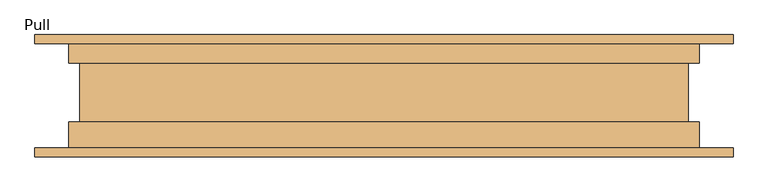
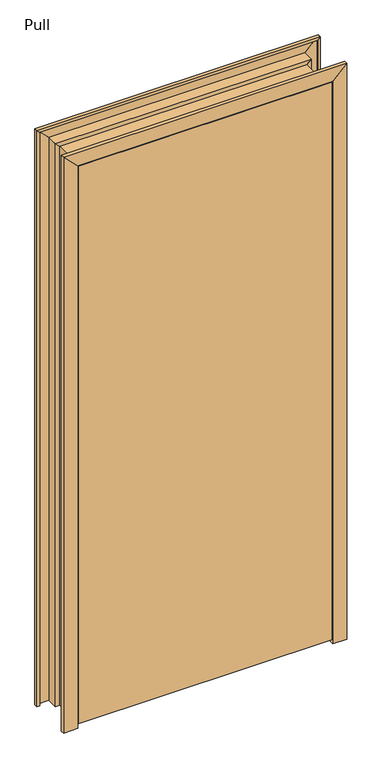
"""IFC4 building model written with IfcOpenShell, lengths in millimetres: door geometry, Pull."""

from ifc_helpers import new_model, si_unit, frame, origin, place, context, project, spatial, polyline, outline, extrude, faceted_brep, source, transform, mapped, element, save


def pull_ffc83646(model_context):
    return source(origin(), model_context, "Body", "SolidModel", [
        extrude(outline(polyline([(454.81875, -42.8625), (454.81875, -87.3125), (-454.81875, -87.3125), (-454.81875, -42.8625), (454.81875, -42.8625)])), frame((0.0, 0.0, 15.875), z_axis=(0.0, 0.0, 1.0), x_axis=(1.0, 0.0, 0.0)), (0.0, 0.0, 1.0), 2114.55),
        faceted_brep([(-506.4123984, -77.7875, 2182.8123984), (506.4125, -77.7875, 2182.8123984), (506.4125, -87.3125, 2182.8123984), (-506.4123984, -87.3125, 2182.8123984), (458.7875, -87.3125, 2135.1873984), (-458.7873984, -87.3125, 2135.1873984), (458.7875, -38.1, 2135.1873984), (-458.7873984, -38.1, 2135.1873984), (442.9125, -38.1, 2119.3123984), (-442.9123984, -38.1, 2119.3123984), (442.9125, 47.625, 2119.3123984), (-442.9123984, 47.625, 2119.3123984), (458.7875, 47.625, 2135.1873984), (-458.7873984, 47.625, 2135.1873984), (458.7875, 87.3125, 2135.1873984), (-458.7873984, 87.3125, 2135.1873984), (506.4125, 87.3125, 2182.8123984), (-506.4123984, 87.3125, 2182.8123984), (506.4125, 77.7875, 2182.8123984), (-506.4123984, 77.7875, 2182.8123984), (498.475, 77.7875, 2174.8748984), (-498.4748984, 77.7875, 2174.8748984), (498.475, 76.2, 2174.8748984), (-498.4748984, 76.2, 2174.8748984), (-507.9998984, 76.2, 2184.3998984), (508.0, 76.2, 2184.3998984), (508.0, 88.9, 2184.3998984), (-507.9998984, 88.9, 2184.3998984), (457.2, 88.9, 2133.5998984), (-457.1998984, 88.9, 2133.5998984), (457.2, 49.2125, 2133.5998984), (-457.1998984, 49.2125, 2133.5998984), (441.325, 49.2125, 2117.7248984), (-441.3248984, 49.2125, 2117.7248984), (441.325, -39.6875, 2117.7248984), (-441.3248984, -39.6875, 2117.7248984), (457.2, -39.6875, 2133.5998984), (-457.1998984, -39.6875, 2133.5998984), (457.2, -88.9, 2133.5998984), (-457.1998984, -88.9, 2133.5998984), (-507.9998984, -88.9, 2184.3998984), (508.0, -88.9, 2184.3998984), (508.0, -76.2, 2184.3998984), (-507.9998984, -76.2, 2184.3998984), (498.475, -76.2, 2174.8748984), (-498.4748984, -76.2, 2174.8748984), (498.475, -77.7875, 2174.8748984), (-498.4748984, -77.7875, 2174.8748984)], [[[0, 1, 2, 3]], [[3, 2, 4, 5]], [[5, 4, 6, 7]], [[7, 6, 8, 9]], [[9, 8, 10, 11]], [[11, 10, 12, 13]], [[13, 12, 14, 15]], [[15, 14, 16, 17]], [[17, 16, 18, 19]], [[19, 18, 20, 21]], [[21, 20, 22, 23]], [[24, 23, 22, 25]], [[25, 26, 27, 24]], [[26, 28, 29, 27]], [[29, 28, 30, 31]], [[31, 30, 32, 33]], [[33, 32, 34, 35]], [[35, 34, 36, 37]], [[37, 36, 38, 39]], [[40, 39, 38, 41]], [[41, 42, 43, 40]], [[42, 44, 45, 43]], [[45, 44, 46, 47]], [[47, 46, 1, 0]], [[3, 5, 7, 9, 11, 13, 15, 17, 19, 21, 23, 24, 27, 29, 31, 33, 35, 37, 39, 40, 43, 45, 47, 0]], [[1, 46, 44, 42, 41, 38, 36, 34, 32, 30, 28, 26, 25, 22, 20, 18, 16, 14, 12, 10, 8, 6, 4, 2]]]),
        faceted_brep([(-506.4125, -77.7875, 0.0), (-506.4125, -87.3125, 0.0), (-458.7875, -87.3125, 0.0), (-458.7875, -38.1, 0.0), (-442.9125, -38.1, 0.0), (-442.9125, 47.625, 0.0), (-458.7875, 47.625, 0.0), (-458.7875, 87.3125, 0.0), (-506.4125, 87.3125, 0.0), (-506.4125, 77.7875, 0.0), (-498.475, 77.7875, 0.0), (-498.475, 76.2, 0.0), (-508.0, 76.2, 0.0), (-508.0, 88.9, 0.0), (-457.2, 88.9, 0.0), (-457.2, 49.2125, 0.0), (-441.325, 49.2125, 0.0), (-441.325, -39.6875, 0.0), (-457.2, -39.6875, 0.0), (-457.2, -88.9, 0.0), (-508.0, -88.9, 0.0), (-508.0, -76.2, 0.0), (-498.475, -76.2, 0.0), (-498.475, -77.7875, 0.0), (-506.4125, -77.7875, 2182.8126016), (-506.4125, -87.3125, 2182.8126016), (-458.7875, -87.3125, 2135.1876016), (-458.7875, -38.1, 2135.1876016), (-442.9125, -38.1, 2119.3126016), (-442.9125, 47.625, 2119.3126016), (-458.7875, 47.625, 2135.1876016), (-458.7875, 87.3125, 2135.1876016), (-506.4125, 87.3125, 2182.8126016), (-506.4125, 77.7875, 2182.8126016), (-498.475, 77.7875, 2174.8751016), (-498.475, 76.2, 2174.8751016), (-508.0, 76.2, 2184.4001016), (-508.0, 88.9, 2184.4001016), (-457.2, 88.9, 2133.6001016), (-457.2, 49.2125, 2133.6001016), (-441.325, 49.2125, 2117.7251016), (-441.325, -39.6875, 2117.7251016), (-457.2, -39.6875, 2133.6001016), (-457.2, -88.9, 2133.6001016), (-508.0, -88.9, 2184.4001016), (-508.0, -76.2, 2184.4001016), (-498.475, -76.2, 2174.8751016), (-498.475, -77.7875, 2174.8751016)], [[[0, 1, 2, 3, 4, 5, 6, 7, 8, 9, 10, 11, 12, 13, 14, 15, 16, 17, 18, 19, 20, 21, 22, 23]], [[0, 24, 25, 1]], [[1, 25, 26, 2]], [[2, 26, 27, 3]], [[3, 27, 28, 4]], [[4, 28, 29, 5]], [[5, 29, 30, 6]], [[6, 30, 31, 7]], [[7, 31, 32, 8]], [[8, 32, 33, 9]], [[9, 33, 34, 10]], [[10, 34, 35, 11]], [[11, 35, 36, 12]], [[12, 36, 37, 13]], [[13, 37, 38, 14]], [[14, 38, 39, 15]], [[15, 39, 40, 16]], [[16, 40, 41, 17]], [[17, 41, 42, 18]], [[18, 42, 43, 19]], [[19, 43, 44, 20]], [[20, 44, 45, 21]], [[21, 45, 46, 22]], [[22, 46, 47, 23]], [[23, 47, 24, 0]], [[24, 47, 46, 45, 44, 43, 42, 41, 40, 39, 38, 37, 36, 35, 34, 33, 32, 31, 30, 29, 28, 27, 26, 25]]]),
        faceted_brep([(508.0001016, -76.2, 0.0), (508.0001016, -88.9, 0.0), (457.2001016, -88.9, 0.0), (457.2001016, -39.6875, 0.0), (441.3251016, -39.6875, 0.0), (441.3251016, 49.2125, 0.0), (457.2001016, 49.2125, 0.0), (457.2001016, 88.9, 0.0), (508.0001016, 88.9, 0.0), (508.0001016, 76.2, 0.0), (498.4751016, 76.2, 0.0), (498.4751016, 77.7875, 0.0), (506.4126016, 77.7875, 0.0), (506.4126016, 87.3125, 0.0), (458.7876016, 87.3125, 0.0), (458.7876016, 47.625, 0.0), (442.9126016, 47.625, 0.0), (442.9126016, -38.1, 0.0), (458.7876016, -38.1, 0.0), (458.7876016, -87.3125, 0.0), (506.4126016, -87.3125, 0.0), (506.4126016, -77.7875, 0.0), (498.4751016, -77.7875, 0.0), (498.4751016, -76.2, 0.0), (508.0001016, -76.2, 2184.4001016), (508.0001016, -88.9, 2184.4001016), (457.2001016, -88.9, 2133.6001016), (457.2001016, -39.6875, 2133.6001016), (441.3251016, -39.6875, 2117.7251016), (441.3251016, 49.2125, 2117.7251016), (457.2001016, 49.2125, 2133.6001016), (457.2001016, 88.9, 2133.6001016), (508.0001016, 88.9, 2184.4001016), (508.0001016, 76.2, 2184.4001016), (498.4751016, 76.2, 2174.8751016), (498.4751016, 77.7875, 2174.8751016), (506.4126016, 77.7875, 2182.8126016), (506.4126016, 87.3125, 2182.8126016), (458.7876016, 87.3125, 2135.1876016), (458.7876016, 47.625, 2135.1876016), (442.9126016, 47.625, 2119.3126016), (442.9126016, -38.1, 2119.3126016), (458.7876016, -38.1, 2135.1876016), (458.7876016, -87.3125, 2135.1876016), (506.4126016, -87.3125, 2182.8126016), (506.4126016, -77.7875, 2182.8126016), (498.4751016, -77.7875, 2174.8751016), (498.4751016, -76.2, 2174.8751016)], [[[0, 1, 2, 3, 4, 5, 6, 7, 8, 9, 10, 11, 12, 13, 14, 15, 16, 17, 18, 19, 20, 21, 22, 23]], [[0, 24, 25, 1]], [[1, 25, 26, 2]], [[2, 26, 27, 3]], [[3, 27, 28, 4]], [[4, 28, 29, 5]], [[5, 29, 30, 6]], [[6, 30, 31, 7]], [[7, 31, 32, 8]], [[8, 32, 33, 9]], [[9, 33, 34, 10]], [[10, 34, 35, 11]], [[11, 35, 36, 12]], [[12, 36, 37, 13]], [[13, 37, 38, 14]], [[14, 38, 39, 15]], [[15, 39, 40, 16]], [[16, 40, 41, 17]], [[17, 41, 42, 18]], [[18, 42, 43, 19]], [[19, 43, 44, 20]], [[20, 44, 45, 21]], [[21, 45, 46, 22]], [[22, 46, 47, 23]], [[23, 47, 24, 0]], [[24, 47, 46, 45, 44, 43, 42, 41, 40, 39, 38, 37, 36, 35, 34, 33, 32, 31, 30, 29, 28, 27, 26, 25]]]),
    ])


if __name__ == "__main__":
    model = new_model("IFC4")
    model_context = context("Model", 3, world=origin())
    ifc_project = project(units=[si_unit("LENGTHUNIT", "METRE", prefix="MILLI")], contexts=[model_context])
    site = spatial("IfcSite", under=ifc_project)
    building = spatial("IfcBuilding", under=site)
    placement = place(None, origin())
    pull_shape = pull_ffc83646(model_context)
    element("IfcDoor", 1, ObjectType="Pull", at=placement, inside=building, context=model_context, shape_type="MappedRepresentation", body=[
        mapped(pull_shape, transform((0.0, 0.0, 0.0), x_axis=(1.0, 0.0, 0.0), y_axis=(0.0, 1.0, 0.0), z_axis=(0.0, 0.0, 1.0))),
    ])
    save(model, "model.ifc")
